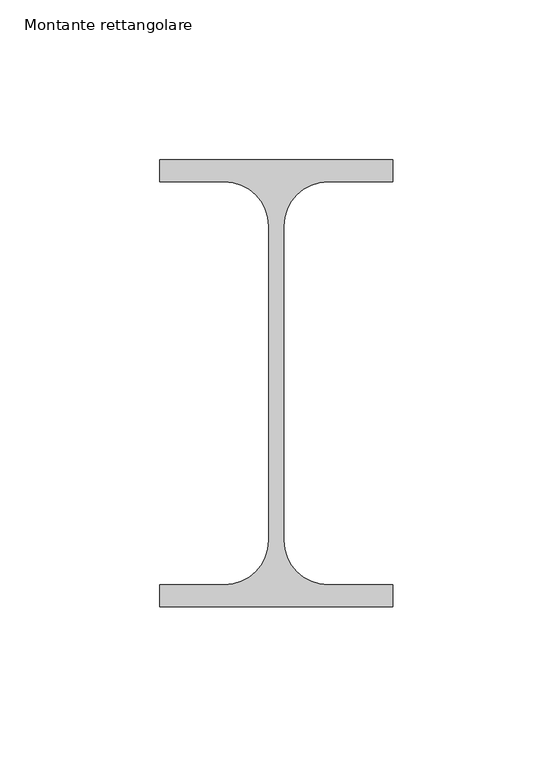
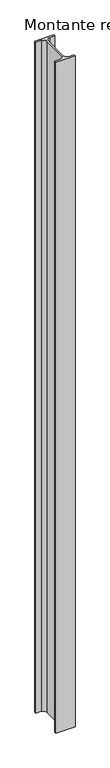
"""IFC4 building model written with IfcOpenShell, lengths in millimetres: member geometry, Montante rettangolare."""

from ifc_helpers import new_model, si_unit, point, frame, frame_2d, origin, place, context, project, spatial, polyline, circle_curve, trimmed, segment, composite_curve, outline, extrude, source, transform, mapped, element, save


def montante_rettangolare_eb93a38a(model_context):
    return source(origin(), model_context, "Body", "SweptSolid", [
        extrude(outline(composite_curve([segment(polyline([(-73.0, 13.1), (-73.0, 20.0), (0.0, 20.0), (0.0, 13.1), (-20.25, 13.1)]), True, "CONTINUOUS"), segment(trimmed(circle_curve(frame_2d((-20.25, -0.8)), 13.9), [point((-20.25, 13.1))], [point((-34.15, -0.8))], True, "CARTESIAN"), True, "CONTINUOUS"), segment(polyline([(-34.15, -0.8), (-34.15, -99.2)]), True, "CONTINUOUS"), segment(trimmed(circle_curve(frame_2d((-20.25, -99.2)), 13.9), [point((-34.15, -99.2))], [point((-20.25, -113.1))], True, "CARTESIAN"), True, "CONTINUOUS"), segment(polyline([(-20.25, -113.1), (0.0, -113.1), (0.0, -120.0), (-73.0, -120.0), (-73.0, -113.1), (-52.75, -113.1)]), True, "CONTINUOUS"), segment(trimmed(circle_curve(frame_2d((-52.75, -99.2)), 13.9), [point((-52.75, -113.1))], [point((-38.85, -99.2))], True, "CARTESIAN"), True, "CONTINUOUS"), segment(polyline([(-38.85, -99.2), (-38.85, -0.8)]), True, "CONTINUOUS"), segment(trimmed(circle_curve(frame_2d((-52.75, -0.8)), 13.9), [point((-38.85, -0.8))], [point((-52.75, 13.1))], True, "CARTESIAN"), True, "CONTINUOUS"), segment(polyline([(-52.75, 13.1), (-73.0, 13.1)]), True, "CONTINUOUS")], self_intersect=False)), frame((0.0, 0.0, -2720.6878725), z_axis=(0.0, 0.0, 1.0), x_axis=(1.0, 0.0, 0.0)), (0.0, 0.0, 1.0), 2720.6878725),
    ])


if __name__ == "__main__":
    model = new_model("IFC4")
    model_context = context("Model", 3, world=origin())
    ifc_project = project(units=[si_unit("LENGTHUNIT", "METRE", prefix="MILLI")], contexts=[model_context])
    site = spatial("IfcSite", under=ifc_project)
    building = spatial("IfcBuilding", under=site)
    placement = place(None, origin())
    montante_rettangolare_shape = montante_rettangolare_eb93a38a(model_context)
    element("IfcMember", 1, ObjectType="Montante rettangolare", at=placement, inside=building, context=model_context, shape_type="MappedRepresentation", body=[
        mapped(montante_rettangolare_shape, transform((0.0, 0.0, 0.0), x_axis=(1.0, 0.0, 0.0), y_axis=(0.0, 1.0, 0.0), z_axis=(0.0, 0.0, 1.0))),
    ])
    save(model, "model.ifc")
